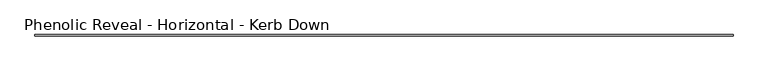
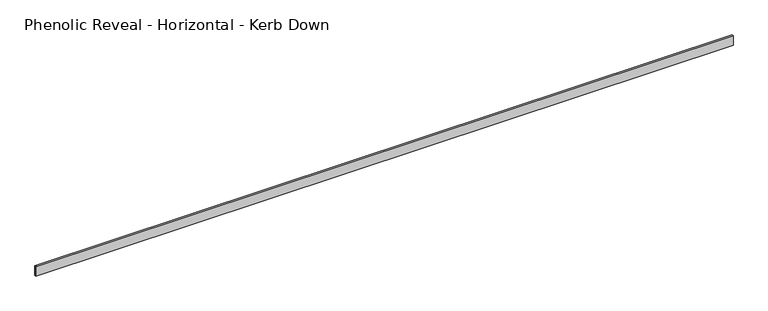
"""IFC4 building model written with IfcOpenShell, lengths in millimetres: proxy geometry, Phenolic Reveal - Horizontal - Kerb Down."""

from ifc_helpers import new_model, si_unit, origin, place, context, project, spatial, faceted_brep, source, transform, mapped, element, save


def phenolic_reveal_horizontal_kerb_down_d187d4cd(model_context):
    return source(origin(), model_context, "Body", "Brep", [
        faceted_brep([(5308.6, 9.525, 0.0), (5308.6, 9.525, 76.2), (5308.6, 6.0765851, 76.2), (5308.6, 6.0765851, 0.0), (5308.6, 0.0, 76.2), (5308.6, 0.0, 0.0), (5308.6, 3.3757545, 0.0), (5308.6, 3.3757545, 76.2), (0.0, 9.525, 0.0), (0.0, 6.0765851, 0.0), (0.0, 6.0765851, 76.2), (0.0, 9.525, 76.2), (0.0, 3.3757545, 76.2), (0.0, 3.3757545, 0.0), (0.0, 0.0, 0.0), (0.0, 0.0, 76.2), (11.1125, 6.0765851, 76.2), (11.1125, 3.3757545, 76.2), (5297.4875, 3.3757545, 76.2), (5297.4875, 6.0765851, 76.2), (11.1125, 3.3757545, 10.8408985), (5297.4875, 3.3757545, 10.8408985), (11.1125, 6.0765851, 10.8408985), (5297.4875, 6.0765851, 10.8408985)], [[[0, 1, 2, 3]], [[4, 5, 6, 7]], [[8, 9, 10, 11]], [[12, 13, 14, 15]], [[1, 0, 8, 11]], [[1, 11, 10, 16, 17, 12, 15, 4, 7, 18, 19, 2]], [[5, 4, 15, 14]], [[13, 6, 5, 14]], [[12, 17, 20, 21, 18, 7, 6, 13]], [[21, 20, 22, 23]], [[2, 19, 23, 22, 16, 10, 9, 3]], [[0, 3, 9, 8]], [[18, 21, 23, 19]], [[20, 17, 16, 22]]]),
    ])


if __name__ == "__main__":
    model = new_model("IFC4")
    model_context = context("Model", 3, world=origin())
    ifc_project = project(units=[si_unit("LENGTHUNIT", "METRE", prefix="MILLI")], contexts=[model_context])
    site = spatial("IfcSite", under=ifc_project)
    building = spatial("IfcBuilding", under=site)
    placement = place(None, origin())
    phenolic_reveal_horizontal_kerb_down_shape = phenolic_reveal_horizontal_kerb_down_d187d4cd(model_context)
    element("IfcBuildingElementProxy", 1, Name="Phenolic Reveal - Horizontal - Kerb Down", ObjectType="Phenolic Reveal - Horizontal - Kerb Down", at=placement, inside=building, context=model_context, shape_type="MappedRepresentation", body=[
        mapped(phenolic_reveal_horizontal_kerb_down_shape, transform((0.0, 0.0, 0.0), x_axis=(1.0, 0.0, 0.0), y_axis=(0.0, 1.0, 0.0), z_axis=(0.0, 0.0, 1.0))),
    ])
    save(model, "model.ifc")
